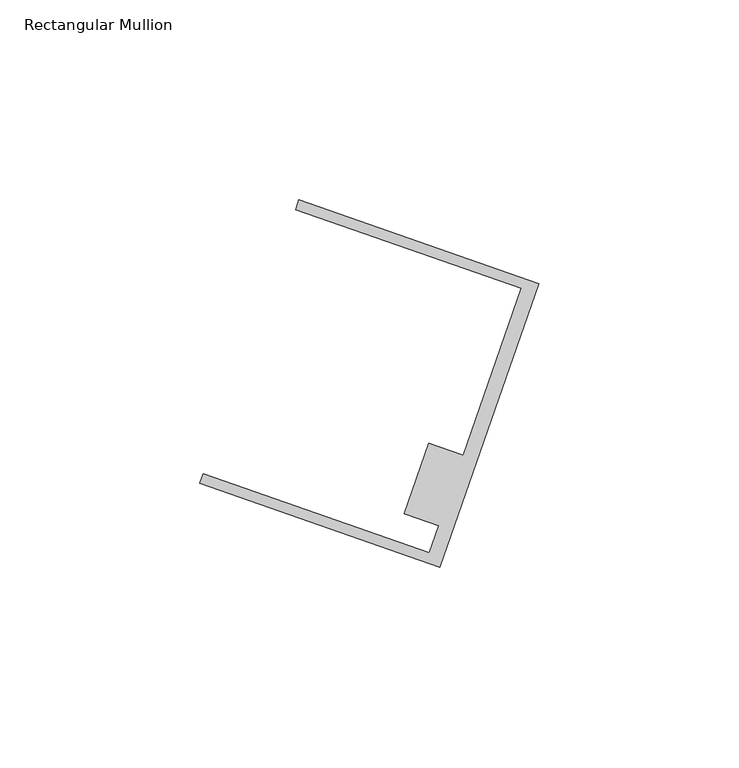
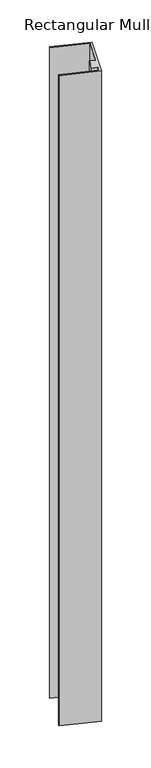
"""IFC4 building model written with IfcOpenShell, lengths in millimetres: member geometry, Rectangular Mullion."""

from ifc_helpers import new_model, si_unit, frame, origin, place, context, project, spatial, polyline, outline, extrude, source, transform, mapped, element, save


def rectangular_mullion_66c7b794(model_context):
    return source(origin(), model_context, "Body", "SweptSolid", [
        extrude(outline(polyline([(-35.4545602, -27.7235024), (-95.404213, -6.7881464), (-94.5667988, -4.3901603), (-38.1182057, -24.1028915), (-35.7613192, -17.3538051), (-44.3703291, -14.3474043), (-38.2048278, 3.3078801), (-29.5958179, 0.3014793), (-15.0398605, 41.98334), (-71.4884536, 61.6960711), (-70.6510394, 64.0940573), (-10.7013866, 43.1587013), (-35.4545602, -27.7235024)])), frame((0.0, 0.0, -1161.1864), z_axis=(0.0, 0.0, 1.0), x_axis=(1.0, 0.0, 0.0)), (0.0, 0.0, 1.0), 1161.1864),
    ])


if __name__ == "__main__":
    model = new_model("IFC4")
    model_context = context("Model", 3, world=origin())
    ifc_project = project(units=[si_unit("LENGTHUNIT", "METRE", prefix="MILLI")], contexts=[model_context])
    site = spatial("IfcSite", under=ifc_project)
    building = spatial("IfcBuilding", under=site)
    placement = place(None, origin())
    rectangular_mullion_shape = rectangular_mullion_66c7b794(model_context)
    element("IfcMember", 1, ObjectType="Rectangular Mullion", at=placement, inside=building, context=model_context, shape_type="MappedRepresentation", body=[
        mapped(rectangular_mullion_shape, transform((0.0, 0.0, 0.0), x_axis=(1.0, 0.0, 0.0), y_axis=(0.0, 1.0, 0.0), z_axis=(0.0, 0.0, 1.0))),
    ])
    save(model, "model.ifc")
